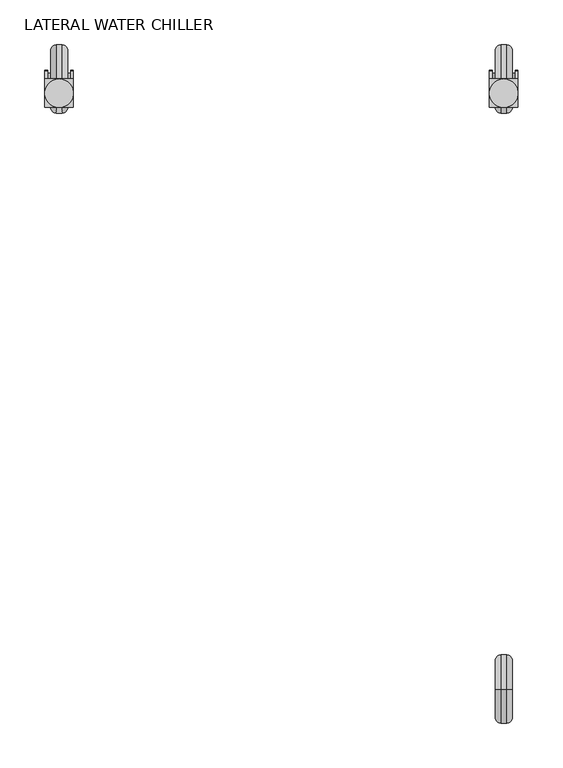
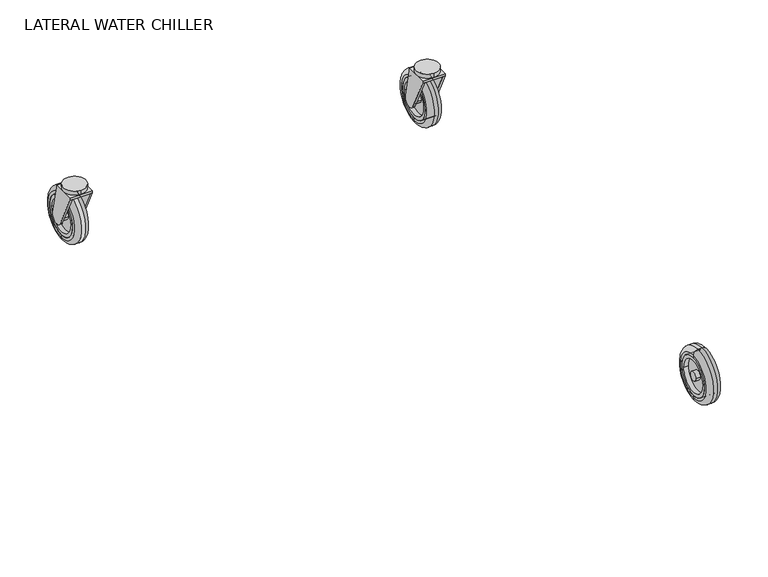
"""IFC4 building model written with IfcOpenShell, lengths in millimetres: proxy geometry, LATERAL WATER CHILLER."""

from ifc_helpers import new_model, si_unit, point, frame, frame_2d, origin, place, context, project, spatial, polyline, circle_curve, ellipse_curve, trimmed, segment, composite_curve, outline, extrude, source, transform, mapped, element, save
from ifc_brep_helpers import plane_surface, cylinder_surface, revolved_surface, advanced_brep


def lateral_water_chiller_cca9492a(model_context):
    return source(origin(), model_context, "Body", "SolidModel", [
        advanced_brep(
        [(238.125, 355.3978147, 6.35), (238.125, 355.3978147, 69.85), (244.475, 355.3978147, 76.2), (244.475, 355.3978147, 0.0), (238.125, 355.3978147, 10.16), (238.125, 355.3978147, 66.04), (257.175, 355.3978147, 10.16), (257.175, 355.3978147, 66.04), (257.175, 355.3978147, 6.35), (257.175, 355.3978147, 69.85), (250.825, 355.3978147, 0.0), (250.825, 355.3978147, 76.2)],
        [
            (0, 1, circle_curve(frame((238.125, 355.3978147, 38.1), z_axis=(1.0, 0.0, 0.0), x_axis=(0.0, 0.0, 1.0)), 31.75)),
            (1, 2, circle_curve(frame((244.475, 355.3978147, 69.85), z_axis=(0.0, 1.0, 0.0), x_axis=(1.0, 0.0, 0.0)), 6.35)),
            (2, 3, circle_curve(frame((244.475, 355.3978147, 38.1), z_axis=(-1.0, 0.0, 0.0), x_axis=(0.0, 0.0, 1.0)), 38.1)),
            (3, 0, circle_curve(frame((244.475, 355.3978147, 6.35), z_axis=(0.0, 1.0, 0.0), x_axis=(1.0, 0.0, 0.0)), 6.35)),
            (1, 0, circle_curve(frame((238.125, 355.3978147, 38.1), z_axis=(1.0, 0.0, 0.0), x_axis=(0.0, 0.0, 1.0)), 31.75)),
            (3, 2, circle_curve(frame((244.475, 355.3978147, 38.1), z_axis=(-1.0, 0.0, 0.0), x_axis=(0.0, 0.0, 1.0)), 38.1)),
            (4, 5, circle_curve(frame((238.125, 355.3978147, 38.1), z_axis=(1.0, 0.0, 0.0), x_axis=(0.0, 0.0, 1.0)), 27.94)),
            (5, 1),
            (0, 4),
            (5, 4, circle_curve(frame((238.125, 355.3978147, 38.1), z_axis=(1.0, 0.0, 0.0), x_axis=(0.0, 0.0, 1.0)), 27.94)),
            (6, 7, circle_curve(frame((257.175, 355.3978147, 38.1), z_axis=(1.0, 0.0, 0.0), x_axis=(0.0, 0.0, 1.0)), 27.94)),
            (7, 5),
            (4, 6),
            (7, 6, circle_curve(frame((257.175, 355.3978147, 38.1), z_axis=(1.0, 0.0, 0.0), x_axis=(0.0, 0.0, 1.0)), 27.94)),
            (8, 9, circle_curve(frame((257.175, 355.3978147, 38.1), z_axis=(1.0, 0.0, 0.0), x_axis=(0.0, 0.0, 1.0)), 31.75)),
            (9, 7),
            (6, 8),
            (9, 8, circle_curve(frame((257.175, 355.3978147, 38.1), z_axis=(1.0, 0.0, 0.0), x_axis=(0.0, 0.0, 1.0)), 31.75)),
            (10, 11, circle_curve(frame((250.825, 355.3978147, 38.1), z_axis=(1.0, 0.0, 0.0), x_axis=(0.0, 0.0, 1.0)), 38.1)),
            (11, 9, circle_curve(frame((250.825, 355.3978147, 69.85), z_axis=(0.0, 1.0, 0.0), x_axis=(1.0, 0.0, 0.0)), 6.35)),
            (8, 10, circle_curve(frame((250.825, 355.3978147, 6.35), z_axis=(0.0, 1.0, 0.0), x_axis=(1.0, 0.0, 0.0)), 6.35)),
            (11, 10, circle_curve(frame((250.825, 355.3978147, 38.1), z_axis=(1.0, 0.0, 0.0), x_axis=(0.0, 0.0, 1.0)), 38.1)),
            (2, 11),
            (10, 3),
        ],
        [
            revolved_surface(trimmed(ellipse_curve(frame((244.475, 355.3978147, 69.85), z_axis=(0.0, -1.0, 0.0), x_axis=(1.0, 0.0, 0.0)), 6.35, 6.35), [point((244.475, 355.3978147, 76.2))], [point((238.125, 355.3978147, 69.85))], True, "CARTESIAN"), (225.425, 355.3978147, 38.1), (-1.0, 0.0, 0.0)),
            plane_surface(frame((238.125, 355.3978147, 38.1), z_axis=(-1.0, 0.0, 0.0), x_axis=(0.0, 0.0, 1.0))),
            revolved_surface(polyline([(238.125, 355.3978147, 66.04), (257.175, 355.3978147, 66.04)]), (225.425, 355.3978147, 38.1), (-1.0, 0.0, 0.0)),
            plane_surface(frame((257.175, 355.3978147, 38.1), z_axis=(1.0, 0.0, 0.0), x_axis=(0.0, 0.0, 1.0))),
            revolved_surface(trimmed(ellipse_curve(frame((250.825, 355.3978147, 69.85), z_axis=(0.0, -1.0, 0.0), x_axis=(1.0, 0.0, 0.0)), 6.35, 6.35), [point((257.175, 355.3978147, 69.85))], [point((250.825, 355.3978147, 76.2))], True, "CARTESIAN"), (225.425, 355.3978147, 38.1), (-1.0, 0.0, 0.0)),
            cylinder_surface(frame((225.425, 355.3978147, 38.1), z_axis=(-1.0, 0.0, 0.0), x_axis=(0.0, 0.0, 1.0)), 38.1),
        ],
        [
            (0, [[1, 2, 3, 4]]),
            (0, [[5, -4, 6, -2]]),
            (1, [[7, 8, -1, 9]]),
            (1, [[10, -9, -5, -8]]),
            (2, [[11, 12, -7, 13]]),
            (2, [[14, -13, -10, -12]]),
            (3, [[15, 16, -11, 17]]),
            (3, [[18, -17, -14, -16]]),
            (4, [[19, 20, -15, 21]]),
            (4, [[22, -21, -18, -20]]),
            (5, [[-3, 23, -19, 24]]),
            (5, [[-6, -24, -22, -23]]),
        ],
    ),
        advanced_brep(
        [(238.125, 383.3378147, 38.1), (238.125, 327.4578147, 38.1), (238.125, 378.2578147, 38.1), (238.125, 332.5378147, 38.1), (238.125, 361.7478147, 38.1), (238.125, 349.0478147, 38.1), (244.475, 383.3378147, 38.1), (244.475, 327.4578147, 38.1), (244.475, 361.7478147, 38.1), (244.475, 349.0478147, 38.1), (244.475, 378.2578147, 38.1), (244.475, 332.5378147, 38.1), (250.825, 332.5378147, 38.1), (250.825, 378.2578147, 38.1), (250.825, 349.0478147, 38.1), (250.825, 361.7478147, 38.1), (250.825, 383.3378147, 38.1), (250.825, 327.4578147, 38.1), (257.175, 383.3378147, 38.1), (257.175, 327.4578147, 38.1), (257.175, 378.2578147, 38.1), (257.175, 332.5378147, 38.1), (257.175, 361.7478147, 38.1), (257.175, 349.0478147, 38.1)],
        [
            (0, 1, circle_curve(frame((238.125, 355.3978147, 38.1), z_axis=(-1.0, 3.5037528434145307e-12, 0.0), x_axis=(-3.5037528434145307e-12, -1.0, 0.0)), 27.94)),
            (1, 0, circle_curve(frame((238.125, 355.3978147, 38.1), z_axis=(-1.0, 3.5037528434145307e-12, 0.0), x_axis=(-3.5037528434145307e-12, -1.0, 0.0)), 27.94)),
            (2, 3, circle_curve(frame((238.125, 355.3978147, 38.1), z_axis=(1.0, -3.5037528434145307e-12, 0.0), x_axis=(-3.5037528434145307e-12, -1.0, 0.0)), 22.86)),
            (3, 2, circle_curve(frame((238.125, 355.3978147, 38.1), z_axis=(1.0, -3.5037528434145307e-12, 0.0), x_axis=(-3.5037528434145307e-12, -1.0, 0.0)), 22.86)),
            (4, 5, circle_curve(frame((238.125, 355.3978147, 38.1), z_axis=(-1.0, 3.5037528434145307e-12, 0.0), x_axis=(-3.5037528434145307e-12, -1.0, 0.0)), 6.35)),
            (5, 4, circle_curve(frame((238.125, 355.3978147, 38.1), z_axis=(-1.0, 3.5037528434145307e-12, 0.0), x_axis=(-3.5037528434145307e-12, -1.0, 0.0)), 6.35)),
            (0, 6),
            (6, 7, circle_curve(frame((244.475, 355.3978147, 38.1), z_axis=(-1.0, 3.5037528434145307e-12, 0.0), x_axis=(-3.5037528434145307e-12, -1.0, 0.0)), 27.94)),
            (7, 1),
            (7, 6, circle_curve(frame((244.475, 355.3978147, 38.1), z_axis=(-1.0, 3.5037528434145307e-12, 0.0), x_axis=(-3.5037528434145307e-12, -1.0, 0.0)), 27.94)),
            (4, 8),
            (8, 9, circle_curve(frame((244.475, 355.3978147, 38.1), z_axis=(-1.0, 3.5037528434145307e-12, 0.0), x_axis=(-3.5037528434145307e-12, -1.0, 0.0)), 6.35)),
            (9, 5),
            (9, 8, circle_curve(frame((244.475, 355.3978147, 38.1), z_axis=(-1.0, 3.5037528434145307e-12, 0.0), x_axis=(-3.5037528434145307e-12, -1.0, 0.0)), 6.35)),
            (2, 10),
            (10, 11, circle_curve(frame((244.475, 355.3978147, 38.1), z_axis=(1.0, -3.5037528434145307e-12, 0.0), x_axis=(-3.5037528434145307e-12, -1.0, 0.0)), 22.86)),
            (11, 3),
            (11, 10, circle_curve(frame((244.475, 355.3978147, 38.1), z_axis=(1.0, -3.5037528434145307e-12, 0.0), x_axis=(-3.5037528434145307e-12, -1.0, 0.0)), 22.86)),
            (12, 13, circle_curve(frame((250.825, 355.3978147, 38.1), z_axis=(1.0, -3.5037528434145307e-12, 0.0), x_axis=(-3.5037528434145307e-12, -1.0, 0.0)), 22.86)),
            (13, 12, circle_curve(frame((250.825, 355.3978147, 38.1), z_axis=(1.0, -3.5037528434145307e-12, 0.0), x_axis=(-3.5037528434145307e-12, -1.0, 0.0)), 22.86)),
            (14, 15, circle_curve(frame((250.825, 355.3978147, 38.1), z_axis=(-1.0, 3.5037528434145307e-12, 0.0), x_axis=(-3.5037528434145307e-12, -1.0, 0.0)), 6.35)),
            (15, 14, circle_curve(frame((250.825, 355.3978147, 38.1), z_axis=(-1.0, 3.5037528434145307e-12, 0.0), x_axis=(-3.5037528434145307e-12, -1.0, 0.0)), 6.35)),
            (6, 16),
            (16, 17, circle_curve(frame((250.825, 355.3978147, 38.1), z_axis=(-1.0, 3.5037528434145307e-12, 0.0), x_axis=(-3.5037528434145307e-12, -1.0, 0.0)), 27.94)),
            (17, 7),
            (17, 16, circle_curve(frame((250.825, 355.3978147, 38.1), z_axis=(-1.0, 3.5037528434145307e-12, 0.0), x_axis=(-3.5037528434145307e-12, -1.0, 0.0)), 27.94)),
            (18, 19, circle_curve(frame((257.175, 355.3978147, 38.1), z_axis=(1.0, -3.5037528434145307e-12, 0.0), x_axis=(-3.5037528434145307e-12, -1.0, 0.0)), 27.94)),
            (19, 18, circle_curve(frame((257.175, 355.3978147, 38.1), z_axis=(1.0, -3.5037528434145307e-12, 0.0), x_axis=(-3.5037528434145307e-12, -1.0, 0.0)), 27.94)),
            (20, 21, circle_curve(frame((257.175, 355.3978147, 38.1), z_axis=(-1.0, 3.5037528434145307e-12, 0.0), x_axis=(-3.5037528434145307e-12, -1.0, 0.0)), 22.86)),
            (21, 20, circle_curve(frame((257.175, 355.3978147, 38.1), z_axis=(-1.0, 3.5037528434145307e-12, 0.0), x_axis=(-3.5037528434145307e-12, -1.0, 0.0)), 22.86)),
            (22, 23, circle_curve(frame((257.175, 355.3978147, 38.1), z_axis=(1.0, -3.5037528434145307e-12, 0.0), x_axis=(-3.5037528434145307e-12, -1.0, 0.0)), 6.35)),
            (23, 22, circle_curve(frame((257.175, 355.3978147, 38.1), z_axis=(1.0, -3.5037528434145307e-12, 0.0), x_axis=(-3.5037528434145307e-12, -1.0, 0.0)), 6.35)),
            (18, 16),
            (17, 19),
            (22, 15),
            (14, 23),
            (20, 13),
            (12, 21),
        ],
        [
            plane_surface(frame((238.125, 327.4578147, 38.1), z_axis=(-1.0, 3.5037528434145307e-12, 0.0), x_axis=(0.0, 0.0, 1.0))),
            cylinder_surface(frame((244.475, 355.3978147, 38.1), z_axis=(-1.0, 3.5037528434145307e-12, 0.0), x_axis=(-3.5037528434145307e-12, -1.0, 0.0)), 27.94),
            cylinder_surface(frame((247.65, 355.3978147, 38.1), z_axis=(-1.0, 3.5037528434145307e-12, 0.0), x_axis=(-3.5037528434145307e-12, -1.0, 0.0)), 6.35),
            revolved_surface(polyline([(244.475, 332.53781470001115, 38.1), (238.12499999983982, 332.5378147000334, 38.1)]), (247.65, 355.3978147, 38.1), (1.0, -3.5037528434145307e-12, 0.0)),
            plane_surface(frame((244.475, 327.4578147, 38.1), z_axis=(-1.0, 3.5037528434145307e-12, 0.0), x_axis=(0.0, 0.0, 1.0))),
            plane_surface(frame((250.825, 327.4578147, 38.1), z_axis=(1.0, -3.5037528434145307e-12, 0.0), x_axis=(0.0, 0.0, -1.0))),
            cylinder_surface(frame((250.825, 355.3978147, 38.1), z_axis=(-1.0, 3.5037528434145307e-12, 0.0), x_axis=(-3.5037528434145307e-12, -1.0, 0.0)), 27.94),
            plane_surface(frame((257.175, 327.4578147, 38.1), z_axis=(1.0, -3.5037528434145307e-12, 0.0), x_axis=(0.0, 0.0, -1.0))),
            cylinder_surface(frame((250.825, 355.3978147, 38.1), z_axis=(1.0, -3.5037528434145307e-12, 0.0), x_axis=(-3.5037528434145307e-12, -1.0, 0.0)), 27.94),
            cylinder_surface(frame((247.65, 355.3978147, 38.1), z_axis=(1.0, -3.5037528434145307e-12, 0.0), x_axis=(-3.5037528434145307e-12, -1.0, 0.0)), 6.35),
            revolved_surface(polyline([(250.8249999998398, 332.53781469998887, 38.1), (257.175, 332.53781469996665, 38.1)]), (247.65, 355.3978147, 38.1), (-1.0, 3.5037528434145307e-12, 0.0)),
        ],
        [
            (0, [[1, 2], [3, 4]]),
            (0, [[5, 6]]),
            (1, [[-1, 7, 8, 9]]),
            (1, [[-2, -9, 10, -7]]),
            (2, [[-5, 11, 12, 13]]),
            (2, [[-6, -13, 14, -11]]),
            (3, [[-3, 15, 16, 17]]),
            (3, [[-4, -17, 18, -15]]),
            (4, [[-16, -18], [-12, -14]]),
            (5, [[19, 20], [21, 22]]),
            (6, [[23, 24, 25, -8]]),
            (6, [[-23, -10, -25, 26]]),
            (7, [[27, 28], [29, 30]]),
            (7, [[31, 32]]),
            (8, [[-27, 33, -26, 34]]),
            (8, [[-28, -34, -24, -33]]),
            (9, [[-31, 35, -21, 36]]),
            (9, [[-32, -36, -22, -35]]),
            (10, [[-29, 37, -19, 38]]),
            (10, [[-30, -38, -20, -37]]),
        ],
    ),
        advanced_brep(
        [(263.525, 364.7015587, 40.1410714), (263.525, 355.3978147, 82.55), (263.525, 355.3978147, 85.725), (263.525, 323.6478147, 85.725), (263.525, 323.6478147, 82.55), (263.525, 346.8003746, 34.0000428), (260.35, 364.7015587, 40.1410714), (260.35, 346.8003746, 34.0000428), (260.35, 323.6478147, 82.55), (260.35, 355.3978147, 82.55), (260.35, 349.0478147, 38.1), (260.35, 361.7478147, 38.1), (234.95, 361.7478147, 38.1), (234.95, 349.0478147, 38.1), (231.775, 364.7015587, 40.1410714), (231.775, 346.8003746, 34.0000428), (231.775, 323.6478147, 82.55), (231.775, 323.6478147, 85.725), (231.775, 355.3978147, 85.725), (231.775, 355.3978147, 82.55), (234.95, 364.7015587, 40.1410714), (234.95, 355.3978147, 82.55), (234.95, 323.6478147, 82.55), (234.95, 346.8003746, 34.0000428)],
        [
            (0, 1),
            (1, 2),
            (2, 3),
            (3, 4),
            (4, 5),
            (5, 0, circle_curve(frame((263.525, 355.3978147, 38.1), z_axis=(1.0, -3.5037528434145307e-12, 0.0), x_axis=(-3.5037528434145307e-12, -1.0, 0.0)), 9.525)),
            (6, 7, circle_curve(frame((260.35, 355.3978147, 38.1), z_axis=(-1.0, 3.5037528434145307e-12, 0.0), x_axis=(-3.5037528434145307e-12, -1.0, 0.0)), 9.525)),
            (7, 8),
            (8, 9),
            (9, 6),
            (10, 11, circle_curve(frame((260.35, 355.3978147, 38.1), z_axis=(1.0, -3.5037528434145307e-12, 0.0), x_axis=(-3.5037528434145307e-12, -1.0, 0.0)), 6.35)),
            (11, 10, circle_curve(frame((260.35, 355.3978147, 38.1), z_axis=(1.0, -3.5037528434145307e-12, 0.0), x_axis=(-3.5037528434145307e-12, -1.0, 0.0)), 6.35)),
            (0, 6),
            (9, 1),
            (4, 8),
            (7, 5),
            (12, 11),
            (10, 13),
            (13, 12, circle_curve(frame((234.95, 355.3978147, 38.1), z_axis=(1.0, -3.5037528434145307e-12, 0.0), x_axis=(-3.5037528434145307e-12, -1.0, 0.0)), 6.35)),
            (12, 13, circle_curve(frame((234.95, 355.3978147, 38.1), z_axis=(1.0, -3.5037528434145307e-12, 0.0), x_axis=(-3.5037528434145307e-12, -1.0, 0.0)), 6.35)),
            (14, 15, circle_curve(frame((231.775, 355.3978147, 38.1), z_axis=(-1.0, 3.5037528434145307e-12, 0.0), x_axis=(-3.5037528434145307e-12, -1.0, 0.0)), 9.525)),
            (15, 16),
            (16, 17),
            (17, 18),
            (18, 19),
            (19, 14),
            (20, 21),
            (21, 22),
            (22, 23),
            (23, 20, circle_curve(frame((234.95, 355.3978147, 38.1), z_axis=(1.0, -3.5037528434145307e-12, 0.0), x_axis=(-3.5037528434145307e-12, -1.0, 0.0)), 9.525)),
            (14, 20),
            (23, 15),
            (22, 16),
            (19, 21),
            (2, 18),
            (17, 3),
            (21, 9),
            (8, 22),
        ],
        [
            plane_surface(frame((263.525, 355.3978147, 82.55), z_axis=(1.0, -3.5037528434145307e-12, 0.0), x_axis=(0.0, -0.21428571428571286, 0.9767710236555248))),
            plane_surface(frame((260.35, 355.3978147, 82.55), z_axis=(-1.0, 3.5037528434145307e-12, 0.0), x_axis=(0.0, 0.21428571428571286, -0.9767710236555248))),
            plane_surface(frame((263.525, 364.7015587, 40.1410714), z_axis=(3.422472694865991e-12, 0.9767710236555248, 0.21428571428571286), x_axis=(-1.0, 3.5038638657169924e-12, 0.0))),
            plane_surface(frame((263.525, 323.6478147, 82.55), z_axis=(-3.1626519305389665e-12, -0.9026183812343395, -0.4304417008816649), x_axis=(-1.0, 3.5038638657169924e-12, 0.0))),
            cylinder_surface(frame((260.35, 355.3978147, 38.1), z_axis=(1.0, -3.5037528434145307e-12, 0.0), x_axis=(-3.5037528434145307e-12, -1.0, 0.0)), 9.525),
            cylinder_surface(frame((260.35, 355.3978147, 38.1), z_axis=(-1.0, 3.5037528434145307e-12, 0.0), x_axis=(-3.5037528434145307e-12, -1.0, 0.0)), 6.35),
            plane_surface(frame((231.775, 345.8728147, 38.1), z_axis=(-1.0, 3.5037528434145307e-12, 0.0), x_axis=(0.0, 0.0, 1.0))),
            plane_surface(frame((234.95, 345.8728147, 38.1), z_axis=(1.0, -3.5037528434145307e-12, 0.0), x_axis=(0.0, 0.0, -1.0))),
            cylinder_surface(frame((234.95, 355.3978147, 38.1), z_axis=(-1.0, 3.5037528434145307e-12, 0.0), x_axis=(-3.5037528434145307e-12, -1.0, 0.0)), 9.525),
            plane_surface(frame((231.775, 346.8003746, 34.0000428), z_axis=(-3.1626519305389665e-12, -0.9026183812343395, -0.4304417008816649), x_axis=(1.0, -3.5038638657169924e-12, 0.0))),
            plane_surface(frame((231.775, 355.3978147, 82.55), z_axis=(3.422472694865991e-12, 0.9767710236555248, 0.21428571428571286), x_axis=(1.0, -3.5038638657169924e-12, 0.0))),
            plane_surface(frame((263.525, 355.3978147, 85.725), z_axis=(0.0, 0.0, 1.0), x_axis=(3.5037306389540393e-12, 1.0, 0.0))),
            plane_surface(frame((263.525, 355.3978147, 82.55), z_axis=(0.0, 0.0, -1.0), x_axis=(-3.5037306389540393e-12, -1.0, 0.0))),
            plane_surface(frame((263.525, 355.3978147, 85.725), z_axis=(3.5037972523354404e-12, 1.0, 0.0), x_axis=(0.0, 0.0, -1.0))),
            plane_surface(frame((231.775, 323.6478147, 85.725), z_axis=(-3.5037306389539626e-12, -1.0, 0.0), x_axis=(0.0, 0.0, -1.0))),
        ],
        [
            (0, [[1, 2, 3, 4, 5, 6]]),
            (1, [[7, 8, 9, 10], [11, 12]]),
            (2, [[-1, 13, -10, 14]]),
            (3, [[-5, 15, -8, 16]]),
            (4, [[-6, -16, -7, -13]]),
            (5, [[17, -11, 18, 19]]),
            (5, [[-17, 20, -18, -12]]),
            (6, [[21, 22, 23, 24, 25, 26]]),
            (7, [[27, 28, 29, 30], [-19, -20]]),
            (8, [[-21, 31, -30, 32]]),
            (9, [[-22, -32, -29, 33]]),
            (10, [[-26, 34, -27, -31]]),
            (11, [[-3, 35, -24, 36]]),
            (12, [[37, -9, 38, -28]]),
            (13, [[-35, -2, -14, -37, -34, -25]]),
            (14, [[-36, -23, -33, -38, -15, -4]]),
        ],
    ),
        extrude(outline(composite_curve([segment(trimmed(circle_curve(frame_2d((247.65, 339.5228147)), 15.875), [point((247.65, 355.3978147))], [point((247.65, 323.6478147))], False, "CARTESIAN"), True, "CONTINUOUS"), segment(trimmed(circle_curve(frame_2d((247.65, 339.5228147)), 15.875), [point((247.65, 323.6478147))], [point((247.65, 355.3978147))], False, "CARTESIAN"), True, "CONTINUOUS")], self_intersect=False)), frame((0.0, 0.0, 85.725), z_axis=(0.0, 0.0, 1.0), x_axis=(1.0, 0.0, 0.0)), (0.0, 0.0, 1.0), 6.35),
        advanced_brep(
        [(-238.125, 355.3978147, 6.35), (-244.475, 355.3978147, 0.0), (-244.475, 355.3978147, 76.2), (-238.125, 355.3978147, 69.85), (-238.125, 355.3978147, 10.16), (-238.125, 355.3978147, 66.04), (-257.175, 355.3978147, 10.16), (-257.175, 355.3978147, 66.04), (-257.175, 355.3978147, 6.35), (-257.175, 355.3978147, 69.85), (-250.825, 355.3978147, 0.0), (-250.825, 355.3978147, 76.2)],
        [
            (0, 1, circle_curve(frame((-244.475, 355.3978147, 6.35), z_axis=(0.0, 1.0, 0.0), x_axis=(-1.0, 0.0, 0.0)), 6.35)),
            (1, 2, circle_curve(frame((-244.475, 355.3978147, 38.1), z_axis=(1.0, 0.0, 0.0), x_axis=(0.0, 0.0, 1.0)), 38.1)),
            (2, 3, circle_curve(frame((-244.475, 355.3978147, 69.85), z_axis=(0.0, 1.0, 0.0), x_axis=(-1.0, 0.0, 0.0)), 6.35)),
            (3, 0, circle_curve(frame((-238.125, 355.3978147, 38.1), z_axis=(-1.0, 0.0, 0.0), x_axis=(0.0, 0.0, 1.0)), 31.75)),
            (2, 1, circle_curve(frame((-244.475, 355.3978147, 38.1), z_axis=(1.0, 0.0, 0.0), x_axis=(0.0, 0.0, 1.0)), 38.1)),
            (0, 3, circle_curve(frame((-238.125, 355.3978147, 38.1), z_axis=(-1.0, 0.0, 0.0), x_axis=(0.0, 0.0, 1.0)), 31.75)),
            (4, 0),
            (3, 5),
            (5, 4, circle_curve(frame((-238.125, 355.3978147, 38.1), z_axis=(-1.0, 0.0, 0.0), x_axis=(0.0, 0.0, 1.0)), 27.94)),
            (4, 5, circle_curve(frame((-238.125, 355.3978147, 38.1), z_axis=(-1.0, 0.0, 0.0), x_axis=(0.0, 0.0, 1.0)), 27.94)),
            (6, 4),
            (5, 7),
            (7, 6, circle_curve(frame((-257.175, 355.3978147, 38.1), z_axis=(-1.0, 0.0, 0.0), x_axis=(0.0, 0.0, 1.0)), 27.94)),
            (6, 7, circle_curve(frame((-257.175, 355.3978147, 38.1), z_axis=(-1.0, 0.0, 0.0), x_axis=(0.0, 0.0, 1.0)), 27.94)),
            (8, 6),
            (7, 9),
            (9, 8, circle_curve(frame((-257.175, 355.3978147, 38.1), z_axis=(-1.0, 0.0, 0.0), x_axis=(0.0, 0.0, 1.0)), 31.75)),
            (8, 9, circle_curve(frame((-257.175, 355.3978147, 38.1), z_axis=(-1.0, 0.0, 0.0), x_axis=(0.0, 0.0, 1.0)), 31.75)),
            (10, 8, circle_curve(frame((-250.825, 355.3978147, 6.35), z_axis=(0.0, 1.0, 0.0), x_axis=(-1.0, 0.0, 0.0)), 6.35)),
            (9, 11, circle_curve(frame((-250.825, 355.3978147, 69.85), z_axis=(0.0, 1.0, 0.0), x_axis=(-1.0, 0.0, 0.0)), 6.35)),
            (11, 10, circle_curve(frame((-250.825, 355.3978147, 38.1), z_axis=(-1.0, 0.0, 0.0), x_axis=(0.0, 0.0, 1.0)), 38.1)),
            (10, 11, circle_curve(frame((-250.825, 355.3978147, 38.1), z_axis=(-1.0, 0.0, 0.0), x_axis=(0.0, 0.0, 1.0)), 38.1)),
            (1, 10),
            (11, 2),
        ],
        [
            revolved_surface(trimmed(ellipse_curve(frame((-244.475, 355.3978147, 69.85), z_axis=(0.0, 1.0, 0.0), x_axis=(-1.0, 0.0, 0.0)), 6.35, 6.35), [point((-244.475, 355.3978147, 76.2))], [point((-238.125, 355.3978147, 69.85))], True, "CARTESIAN"), (-225.425, 355.3978147, 38.1), (1.0, 0.0, 0.0)),
            plane_surface(frame((-238.125, 355.3978147, 38.1), z_axis=(1.0, 0.0, 0.0), x_axis=(0.0, 0.0, 1.0))),
            revolved_surface(polyline([(-238.125, 355.3978147, 66.04), (-257.175, 355.3978147, 66.04)]), (-225.425, 355.3978147, 38.1), (1.0, 0.0, 0.0)),
            plane_surface(frame((-257.175, 355.3978147, 38.1), z_axis=(-1.0, 0.0, 0.0), x_axis=(0.0, 0.0, 1.0))),
            revolved_surface(trimmed(ellipse_curve(frame((-250.825, 355.3978147, 69.85), z_axis=(0.0, 1.0, 0.0), x_axis=(-1.0, 0.0, 0.0)), 6.35, 6.35), [point((-257.175, 355.3978147, 69.85))], [point((-250.825, 355.3978147, 76.2))], True, "CARTESIAN"), (-225.425, 355.3978147, 38.1), (1.0, 0.0, 0.0)),
            cylinder_surface(frame((-225.425, 355.3978147, 38.1), z_axis=(1.0, 0.0, 0.0), x_axis=(0.0, 0.0, 1.0)), 38.1),
        ],
        [
            (0, [[1, 2, 3, 4]]),
            (0, [[-3, 5, -1, 6]]),
            (1, [[7, -4, 8, 9]]),
            (1, [[-8, -6, -7, 10]]),
            (2, [[11, -9, 12, 13]]),
            (2, [[-12, -10, -11, 14]]),
            (3, [[15, -13, 16, 17]]),
            (3, [[-16, -14, -15, 18]]),
            (4, [[19, -17, 20, 21]]),
            (4, [[-20, -18, -19, 22]]),
            (5, [[23, -21, 24, -2]]),
            (5, [[-24, -22, -23, -5]]),
        ],
    ),
        advanced_brep(
        [(-238.125, 383.3378147, 38.1), (-238.125, 327.4578147, 38.1), (-238.125, 378.2578147, 38.1), (-238.125, 332.5378147, 38.1), (-238.125, 361.7478147, 38.1), (-238.125, 349.0478147, 38.1), (-244.475, 327.4578147, 38.1), (-244.475, 383.3378147, 38.1), (-244.475, 349.0478147, 38.1), (-244.475, 361.7478147, 38.1), (-244.475, 332.5378147, 38.1), (-244.475, 378.2578147, 38.1), (-250.825, 332.5378147, 38.1), (-250.825, 378.2578147, 38.1), (-250.825, 349.0478147, 38.1), (-250.825, 361.7478147, 38.1), (-250.825, 327.4578147, 38.1), (-250.825, 383.3378147, 38.1), (-257.175, 383.3378147, 38.1), (-257.175, 327.4578147, 38.1), (-257.175, 378.2578147, 38.1), (-257.175, 332.5378147, 38.1), (-257.175, 361.7478147, 38.1), (-257.175, 349.0478147, 38.1)],
        [
            (0, 1, circle_curve(frame((-238.125, 355.3978147, 38.1), z_axis=(1.0, 3.5037528434145307e-12, 0.0), x_axis=(3.5037528434145307e-12, -1.0, 0.0)), 27.94)),
            (1, 0, circle_curve(frame((-238.125, 355.3978147, 38.1), z_axis=(1.0, 3.5037528434145307e-12, 0.0), x_axis=(3.5037528434145307e-12, -1.0, 0.0)), 27.94)),
            (2, 3, circle_curve(frame((-238.125, 355.3978147, 38.1), z_axis=(-1.0, -3.5037528434145307e-12, 0.0), x_axis=(3.5037528434145307e-12, -1.0, 0.0)), 22.86)),
            (3, 2, circle_curve(frame((-238.125, 355.3978147, 38.1), z_axis=(-1.0, -3.5037528434145307e-12, 0.0), x_axis=(3.5037528434145307e-12, -1.0, 0.0)), 22.86)),
            (4, 5, circle_curve(frame((-238.125, 355.3978147, 38.1), z_axis=(1.0, 3.5037528434145307e-12, 0.0), x_axis=(3.5037528434145307e-12, -1.0, 0.0)), 6.35)),
            (5, 4, circle_curve(frame((-238.125, 355.3978147, 38.1), z_axis=(1.0, 3.5037528434145307e-12, 0.0), x_axis=(3.5037528434145307e-12, -1.0, 0.0)), 6.35)),
            (1, 6),
            (6, 7, circle_curve(frame((-244.475, 355.3978147, 38.1), z_axis=(1.0, 3.5037528434145307e-12, 0.0), x_axis=(3.5037528434145307e-12, -1.0, 0.0)), 27.94)),
            (7, 0),
            (7, 6, circle_curve(frame((-244.475, 355.3978147, 38.1), z_axis=(1.0, 3.5037528434145307e-12, 0.0), x_axis=(3.5037528434145307e-12, -1.0, 0.0)), 27.94)),
            (5, 8),
            (8, 9, circle_curve(frame((-244.475, 355.3978147, 38.1), z_axis=(1.0, 3.5037528434145307e-12, 0.0), x_axis=(3.5037528434145307e-12, -1.0, 0.0)), 6.35)),
            (9, 4),
            (9, 8, circle_curve(frame((-244.475, 355.3978147, 38.1), z_axis=(1.0, 3.5037528434145307e-12, 0.0), x_axis=(3.5037528434145307e-12, -1.0, 0.0)), 6.35)),
            (3, 10),
            (10, 11, circle_curve(frame((-244.475, 355.3978147, 38.1), z_axis=(-1.0, -3.5037528434145307e-12, 0.0), x_axis=(3.5037528434145307e-12, -1.0, 0.0)), 22.86)),
            (11, 2),
            (11, 10, circle_curve(frame((-244.475, 355.3978147, 38.1), z_axis=(-1.0, -3.5037528434145307e-12, 0.0), x_axis=(3.5037528434145307e-12, -1.0, 0.0)), 22.86)),
            (12, 13, circle_curve(frame((-250.825, 355.3978147, 38.1), z_axis=(-1.0, -3.5037528434145307e-12, 0.0), x_axis=(3.5037528434145307e-12, -1.0, 0.0)), 22.86)),
            (13, 12, circle_curve(frame((-250.825, 355.3978147, 38.1), z_axis=(-1.0, -3.5037528434145307e-12, 0.0), x_axis=(3.5037528434145307e-12, -1.0, 0.0)), 22.86)),
            (14, 15, circle_curve(frame((-250.825, 355.3978147, 38.1), z_axis=(1.0, 3.5037528434145307e-12, 0.0), x_axis=(3.5037528434145307e-12, -1.0, 0.0)), 6.35)),
            (15, 14, circle_curve(frame((-250.825, 355.3978147, 38.1), z_axis=(1.0, 3.5037528434145307e-12, 0.0), x_axis=(3.5037528434145307e-12, -1.0, 0.0)), 6.35)),
            (6, 16),
            (16, 17, circle_curve(frame((-250.825, 355.3978147, 38.1), z_axis=(1.0, 3.5037528434145307e-12, 0.0), x_axis=(3.5037528434145307e-12, -1.0, 0.0)), 27.94)),
            (17, 7),
            (17, 16, circle_curve(frame((-250.825, 355.3978147, 38.1), z_axis=(1.0, 3.5037528434145307e-12, 0.0), x_axis=(3.5037528434145307e-12, -1.0, 0.0)), 27.94)),
            (18, 19, circle_curve(frame((-257.175, 355.3978147, 38.1), z_axis=(-1.0, -3.5037528434145307e-12, 0.0), x_axis=(3.5037528434145307e-12, -1.0, 0.0)), 27.94)),
            (19, 18, circle_curve(frame((-257.175, 355.3978147, 38.1), z_axis=(-1.0, -3.5037528434145307e-12, 0.0), x_axis=(3.5037528434145307e-12, -1.0, 0.0)), 27.94)),
            (20, 21, circle_curve(frame((-257.175, 355.3978147, 38.1), z_axis=(1.0, 3.5037528434145307e-12, 0.0), x_axis=(3.5037528434145307e-12, -1.0, 0.0)), 22.86)),
            (21, 20, circle_curve(frame((-257.175, 355.3978147, 38.1), z_axis=(1.0, 3.5037528434145307e-12, 0.0), x_axis=(3.5037528434145307e-12, -1.0, 0.0)), 22.86)),
            (22, 23, circle_curve(frame((-257.175, 355.3978147, 38.1), z_axis=(-1.0, -3.5037528434145307e-12, 0.0), x_axis=(3.5037528434145307e-12, -1.0, 0.0)), 6.35)),
            (23, 22, circle_curve(frame((-257.175, 355.3978147, 38.1), z_axis=(-1.0, -3.5037528434145307e-12, 0.0), x_axis=(3.5037528434145307e-12, -1.0, 0.0)), 6.35)),
            (19, 16),
            (17, 18),
            (23, 14),
            (15, 22),
            (21, 12),
            (13, 20),
        ],
        [
            plane_surface(frame((-238.125, 327.4578147, 38.1), z_axis=(1.0, 3.5037528434145307e-12, 0.0), x_axis=(0.0, 0.0, 1.0))),
            cylinder_surface(frame((-244.475, 355.3978147, 38.1), z_axis=(1.0, 3.5037528434145307e-12, 0.0), x_axis=(3.5037528434145307e-12, -1.0, 0.0)), 27.94),
            cylinder_surface(frame((-247.65, 355.3978147, 38.1), z_axis=(1.0, 3.5037528434145307e-12, 0.0), x_axis=(3.5037528434145307e-12, -1.0, 0.0)), 6.35),
            revolved_surface(polyline([(-244.475, 332.53781470001115, 38.1), (-238.12499999983982, 332.5378147000334, 38.1)]), (-247.65, 355.3978147, 38.1), (-1.0, -3.5037528434145307e-12, 0.0)),
            plane_surface(frame((-244.475, 327.4578147, 38.1), z_axis=(1.0, 3.5037528434145307e-12, 0.0), x_axis=(0.0, 0.0, 1.0))),
            plane_surface(frame((-250.825, 327.4578147, 38.1), z_axis=(-1.0, -3.5037528434145307e-12, 0.0), x_axis=(0.0, 0.0, -1.0))),
            cylinder_surface(frame((-250.825, 355.3978147, 38.1), z_axis=(1.0, 3.5037528434145307e-12, 0.0), x_axis=(3.5037528434145307e-12, -1.0, 0.0)), 27.94),
            plane_surface(frame((-257.175, 327.4578147, 38.1), z_axis=(-1.0, -3.5037528434145307e-12, 0.0), x_axis=(0.0, 0.0, -1.0))),
            cylinder_surface(frame((-250.825, 355.3978147, 38.1), z_axis=(-1.0, -3.5037528434145307e-12, 0.0), x_axis=(3.5037528434145307e-12, -1.0, 0.0)), 27.94),
            cylinder_surface(frame((-247.65, 355.3978147, 38.1), z_axis=(-1.0, -3.5037528434145307e-12, 0.0), x_axis=(3.5037528434145307e-12, -1.0, 0.0)), 6.35),
            revolved_surface(polyline([(-250.8249999998398, 332.53781469998887, 38.1), (-257.175, 332.53781469996665, 38.1)]), (-247.65, 355.3978147, 38.1), (1.0, 3.5037528434145307e-12, 0.0)),
        ],
        [
            (0, [[1, 2], [3, 4]]),
            (0, [[5, 6]]),
            (1, [[7, 8, 9, -2]]),
            (1, [[-9, 10, -7, -1]]),
            (2, [[11, 12, 13, -6]]),
            (2, [[-13, 14, -11, -5]]),
            (3, [[15, 16, 17, -4]]),
            (3, [[-17, 18, -15, -3]]),
            (4, [[-18, -16], [-14, -12]]),
            (5, [[19, 20], [21, 22]]),
            (6, [[-8, 23, 24, 25]]),
            (6, [[26, -23, -10, -25]]),
            (7, [[27, 28], [29, 30]]),
            (7, [[31, 32]]),
            (8, [[33, -26, 34, -28]]),
            (8, [[-34, -24, -33, -27]]),
            (9, [[35, -22, 36, -32]]),
            (9, [[-36, -21, -35, -31]]),
            (10, [[37, -20, 38, -30]]),
            (10, [[-38, -19, -37, -29]]),
        ],
    ),
        advanced_brep(
        [(-263.525, 364.7015587, 40.1410714), (-263.525, 346.8003746, 34.0000428), (-263.525, 323.6478147, 82.55), (-263.525, 323.6478147, 85.725), (-263.525, 355.3978147, 85.725), (-263.525, 355.3978147, 82.55), (-260.35, 364.7015587, 40.1410714), (-260.35, 355.3978147, 82.55), (-260.35, 323.6478147, 82.55), (-260.35, 346.8003746, 34.0000428), (-260.35, 349.0478147, 38.1), (-260.35, 361.7478147, 38.1), (-234.95, 361.7478147, 38.1), (-234.95, 349.0478147, 38.1), (-231.775, 364.7015587, 40.1410714), (-231.775, 355.3978147, 82.55), (-231.775, 355.3978147, 85.725), (-231.775, 323.6478147, 85.725), (-231.775, 323.6478147, 82.55), (-231.775, 346.8003746, 34.0000428), (-234.95, 364.7015587, 40.1410714), (-234.95, 346.8003746, 34.0000428), (-234.95, 323.6478147, 82.55), (-234.95, 355.3978147, 82.55)],
        [
            (0, 1, circle_curve(frame((-263.525, 355.3978147, 38.1), z_axis=(-1.0, -3.5037528434145307e-12, 0.0), x_axis=(3.5037528434145307e-12, -1.0, 0.0)), 9.525)),
            (1, 2),
            (2, 3),
            (3, 4),
            (4, 5),
            (5, 0),
            (6, 7),
            (7, 8),
            (8, 9),
            (9, 6, circle_curve(frame((-260.35, 355.3978147, 38.1), z_axis=(1.0, 3.5037528434145307e-12, 0.0), x_axis=(3.5037528434145307e-12, -1.0, 0.0)), 9.525)),
            (10, 11, circle_curve(frame((-260.35, 355.3978147, 38.1), z_axis=(-1.0, -3.5037528434145307e-12, 0.0), x_axis=(3.5037528434145307e-12, -1.0, 0.0)), 6.35)),
            (11, 10, circle_curve(frame((-260.35, 355.3978147, 38.1), z_axis=(-1.0, -3.5037528434145307e-12, 0.0), x_axis=(3.5037528434145307e-12, -1.0, 0.0)), 6.35)),
            (5, 7),
            (6, 0),
            (1, 9),
            (8, 2),
            (12, 13, circle_curve(frame((-234.95, 355.3978147, 38.1), z_axis=(-1.0, -3.5037528434145307e-12, 0.0), x_axis=(3.5037528434145307e-12, -1.0, 0.0)), 6.35)),
            (13, 10),
            (11, 12),
            (13, 12, circle_curve(frame((-234.95, 355.3978147, 38.1), z_axis=(-1.0, -3.5037528434145307e-12, 0.0), x_axis=(3.5037528434145307e-12, -1.0, 0.0)), 6.35)),
            (14, 15),
            (15, 16),
            (16, 17),
            (17, 18),
            (18, 19),
            (19, 14, circle_curve(frame((-231.775, 355.3978147, 38.1), z_axis=(1.0, 3.5037528434145307e-12, 0.0), x_axis=(3.5037528434145307e-12, -1.0, 0.0)), 9.525)),
            (20, 21, circle_curve(frame((-234.95, 355.3978147, 38.1), z_axis=(-1.0, -3.5037528434145307e-12, 0.0), x_axis=(3.5037528434145307e-12, -1.0, 0.0)), 9.525)),
            (21, 22),
            (22, 23),
            (23, 20),
            (19, 21),
            (20, 14),
            (18, 22),
            (23, 15),
            (3, 17),
            (16, 4),
            (22, 8),
            (7, 23),
        ],
        [
            plane_surface(frame((-263.525, 355.3978147, 82.55), z_axis=(-1.0, -3.5037528434145307e-12, 0.0), x_axis=(0.0, -0.21428571428571286, 0.9767710236555248))),
            plane_surface(frame((-260.35, 355.3978147, 82.55), z_axis=(1.0, 3.5037528434145307e-12, 0.0), x_axis=(0.0, 0.21428571428571286, -0.9767710236555248))),
            plane_surface(frame((-263.525, 364.7015587, 40.1410714), z_axis=(-3.422472694865991e-12, 0.9767710236555248, 0.21428571428571286), x_axis=(1.0, 3.5038638657169924e-12, 0.0))),
            plane_surface(frame((-263.525, 323.6478147, 82.55), z_axis=(3.1626519305389665e-12, -0.9026183812343395, -0.4304417008816649), x_axis=(1.0, 3.5038638657169924e-12, 0.0))),
            cylinder_surface(frame((-260.35, 355.3978147, 38.1), z_axis=(-1.0, -3.5037528434145307e-12, 0.0), x_axis=(3.5037528434145307e-12, -1.0, 0.0)), 9.525),
            cylinder_surface(frame((-260.35, 355.3978147, 38.1), z_axis=(1.0, 3.5037528434145307e-12, 0.0), x_axis=(3.5037528434145307e-12, -1.0, 0.0)), 6.35),
            plane_surface(frame((-231.775, 345.8728147, 38.1), z_axis=(1.0, 3.5037528434145307e-12, 0.0), x_axis=(0.0, 0.0, 1.0))),
            plane_surface(frame((-234.95, 345.8728147, 38.1), z_axis=(-1.0, -3.5037528434145307e-12, 0.0), x_axis=(0.0, 0.0, -1.0))),
            cylinder_surface(frame((-234.95, 355.3978147, 38.1), z_axis=(1.0, 3.5037528434145307e-12, 0.0), x_axis=(3.5037528434145307e-12, -1.0, 0.0)), 9.525),
            plane_surface(frame((-231.775, 346.8003746, 34.0000428), z_axis=(3.1626519305389665e-12, -0.9026183812343395, -0.4304417008816649), x_axis=(-1.0, -3.5038638657169924e-12, 0.0))),
            plane_surface(frame((-231.775, 355.3978147, 82.55), z_axis=(-3.422472694865991e-12, 0.9767710236555248, 0.21428571428571286), x_axis=(-1.0, -3.5038638657169924e-12, 0.0))),
            plane_surface(frame((-263.525, 355.3978147, 85.725), z_axis=(0.0, 0.0, 1.0), x_axis=(-3.5037306389540393e-12, 1.0, 0.0))),
            plane_surface(frame((-263.525, 355.3978147, 82.55), z_axis=(0.0, 0.0, -1.0), x_axis=(3.5037306389540393e-12, -1.0, 0.0))),
            plane_surface(frame((-263.525, 355.3978147, 85.725), z_axis=(-3.5037972523354404e-12, 1.0, 0.0), x_axis=(0.0, 0.0, -1.0))),
            plane_surface(frame((-231.775, 323.6478147, 85.725), z_axis=(3.5037306389539626e-12, -1.0, 0.0), x_axis=(0.0, 0.0, -1.0))),
        ],
        [
            (0, [[1, 2, 3, 4, 5, 6]]),
            (1, [[7, 8, 9, 10], [11, 12]]),
            (2, [[13, -7, 14, -6]]),
            (3, [[15, -9, 16, -2]]),
            (4, [[-14, -10, -15, -1]]),
            (5, [[17, 18, -12, 19]]),
            (5, [[-11, -18, 20, -19]]),
            (6, [[21, 22, 23, 24, 25, 26]]),
            (7, [[27, 28, 29, 30], [-20, -17]]),
            (8, [[31, -27, 32, -26]]),
            (9, [[33, -28, -31, -25]]),
            (10, [[-32, -30, 34, -21]]),
            (11, [[35, -23, 36, -4]]),
            (12, [[-29, 37, -8, 38]]),
            (13, [[-22, -34, -38, -13, -5, -36]]),
            (14, [[-3, -16, -37, -33, -24, -35]]),
        ],
    ),
        extrude(outline(composite_curve([segment(trimmed(circle_curve(frame_2d((-247.65, 339.5228147)), 15.875), [point((-247.65, 355.3978147))], [point((-247.65, 323.6478147))], False, "CARTESIAN"), True, "CONTINUOUS"), segment(trimmed(circle_curve(frame_2d((-247.65, 339.5228147)), 15.875), [point((-247.65, 323.6478147))], [point((-247.65, 355.3978147))], False, "CARTESIAN"), True, "CONTINUOUS")], self_intersect=False)), frame((0.0, 0.0, 85.725), z_axis=(0.0, 0.0, 1.0), x_axis=(1.0, 0.0, 0.0)), (0.0, 0.0, 1.0), 6.35),
        advanced_brep(
        [(238.125, -323.6478147, 6.35), (238.125, -323.6478147, 69.85), (244.475, -323.6478147, 76.2), (244.475, -323.6478147, 0.0), (238.125, -323.6478147, 10.16), (238.125, -323.6478147, 66.04), (257.175, -323.6478147, 10.16), (257.175, -323.6478147, 66.04), (257.175, -323.6478147, 6.35), (257.175, -323.6478147, 69.85), (250.825, -323.6478147, 0.0), (250.825, -323.6478147, 76.2)],
        [
            (0, 1, circle_curve(frame((238.125, -323.6478147, 38.1), z_axis=(1.0, 0.0, 0.0), x_axis=(0.0, 0.0, 1.0)), 31.75)),
            (1, 2, circle_curve(frame((244.475, -323.6478147, 69.85), z_axis=(0.0, 1.0, 0.0), x_axis=(1.0, 0.0, 0.0)), 6.35)),
            (2, 3, circle_curve(frame((244.475, -323.6478147, 38.1), z_axis=(-1.0, 0.0, 0.0), x_axis=(0.0, 0.0, 1.0)), 38.1)),
            (3, 0, circle_curve(frame((244.475, -323.6478147, 6.35), z_axis=(0.0, 1.0, 0.0), x_axis=(1.0, 0.0, 0.0)), 6.35)),
            (1, 0, circle_curve(frame((238.125, -323.6478147, 38.1), z_axis=(1.0, 0.0, 0.0), x_axis=(0.0, 0.0, 1.0)), 31.75)),
            (3, 2, circle_curve(frame((244.475, -323.6478147, 38.1), z_axis=(-1.0, 0.0, 0.0), x_axis=(0.0, 0.0, 1.0)), 38.1)),
            (4, 5, circle_curve(frame((238.125, -323.6478147, 38.1), z_axis=(1.0, 0.0, 0.0), x_axis=(0.0, 0.0, 1.0)), 27.94)),
            (5, 1),
            (0, 4),
            (5, 4, circle_curve(frame((238.125, -323.6478147, 38.1), z_axis=(1.0, 0.0, 0.0), x_axis=(0.0, 0.0, 1.0)), 27.94)),
            (6, 7, circle_curve(frame((257.175, -323.6478147, 38.1), z_axis=(1.0, 0.0, 0.0), x_axis=(0.0, 0.0, 1.0)), 27.94)),
            (7, 5),
            (4, 6),
            (7, 6, circle_curve(frame((257.175, -323.6478147, 38.1), z_axis=(1.0, 0.0, 0.0), x_axis=(0.0, 0.0, 1.0)), 27.94)),
            (8, 9, circle_curve(frame((257.175, -323.6478147, 38.1), z_axis=(1.0, 0.0, 0.0), x_axis=(0.0, 0.0, 1.0)), 31.75)),
            (9, 7),
            (6, 8),
            (9, 8, circle_curve(frame((257.175, -323.6478147, 38.1), z_axis=(1.0, 0.0, 0.0), x_axis=(0.0, 0.0, 1.0)), 31.75)),
            (10, 11, circle_curve(frame((250.825, -323.6478147, 38.1), z_axis=(1.0, 0.0, 0.0), x_axis=(0.0, 0.0, 1.0)), 38.1)),
            (11, 9, circle_curve(frame((250.825, -323.6478147, 69.85), z_axis=(0.0, 1.0, 0.0), x_axis=(1.0, 0.0, 0.0)), 6.35)),
            (8, 10, circle_curve(frame((250.825, -323.6478147, 6.35), z_axis=(0.0, 1.0, 0.0), x_axis=(1.0, 0.0, 0.0)), 6.35)),
            (11, 10, circle_curve(frame((250.825, -323.6478147, 38.1), z_axis=(1.0, 0.0, 0.0), x_axis=(0.0, 0.0, 1.0)), 38.1)),
            (2, 11),
            (10, 3),
        ],
        [
            revolved_surface(trimmed(ellipse_curve(frame((244.475, -323.6478147, 69.85), z_axis=(0.0, -1.0, 0.0), x_axis=(1.0, 0.0, 0.0)), 6.35, 6.35), [point((244.475, -323.6478147, 76.2))], [point((238.125, -323.6478147, 69.85))], True, "CARTESIAN"), (225.425, -323.6478147, 38.1), (-1.0, 0.0, 0.0)),
            plane_surface(frame((238.125, -323.6478147, 38.1), z_axis=(-1.0, 0.0, 0.0), x_axis=(0.0, 0.0, 1.0))),
            revolved_surface(polyline([(238.125, -323.6478147, 66.04), (257.175, -323.6478147, 66.04)]), (225.425, -323.6478147, 38.1), (-1.0, 0.0, 0.0)),
            plane_surface(frame((257.175, -323.6478147, 38.1), z_axis=(1.0, 0.0, 0.0), x_axis=(0.0, 0.0, 1.0))),
            revolved_surface(trimmed(ellipse_curve(frame((250.825, -323.6478147, 69.85), z_axis=(0.0, -1.0, 0.0), x_axis=(1.0, 0.0, 0.0)), 6.35, 6.35), [point((257.175, -323.6478147, 69.85))], [point((250.825, -323.6478147, 76.2))], True, "CARTESIAN"), (225.425, -323.6478147, 38.1), (-1.0, 0.0, 0.0)),
            cylinder_surface(frame((225.425, -323.6478147, 38.1), z_axis=(-1.0, 0.0, 0.0), x_axis=(0.0, 0.0, 1.0)), 38.1),
        ],
        [
            (0, [[1, 2, 3, 4]]),
            (0, [[5, -4, 6, -2]]),
            (1, [[7, 8, -1, 9]]),
            (1, [[10, -9, -5, -8]]),
            (2, [[11, 12, -7, 13]]),
            (2, [[14, -13, -10, -12]]),
            (3, [[15, 16, -11, 17]]),
            (3, [[18, -17, -14, -16]]),
            (4, [[19, 20, -15, 21]]),
            (4, [[22, -21, -18, -20]]),
            (5, [[-3, 23, -19, 24]]),
            (5, [[-6, -24, -22, -23]]),
        ],
    ),
        advanced_brep(
        [(238.125, -295.7078147, 38.1), (238.125, -351.5878147, 38.1), (238.125, -300.7878147, 38.1), (238.125, -346.5078147, 38.1), (238.125, -317.2978147, 38.1), (238.125, -329.9978147, 38.1), (244.475, -295.7078147, 38.1), (244.475, -351.5878147, 38.1), (244.475, -317.2978147, 38.1), (244.475, -329.9978147, 38.1), (244.475, -300.7878147, 38.1), (244.475, -346.5078147, 38.1), (250.825, -346.5078147, 38.1), (250.825, -300.7878147, 38.1), (250.825, -329.9978147, 38.1), (250.825, -317.2978147, 38.1), (250.825, -295.7078147, 38.1), (250.825, -351.5878147, 38.1), (257.175, -295.7078147, 38.1), (257.175, -351.5878147, 38.1), (257.175, -300.7878147, 38.1), (257.175, -346.5078147, 38.1), (257.175, -317.2978147, 38.1), (257.175, -329.9978147, 38.1)],
        [
            (0, 1, circle_curve(frame((238.125, -323.6478147, 38.1), z_axis=(-1.0, 3.5037528434145307e-12, 0.0), x_axis=(-3.5037528434145307e-12, -1.0, 0.0)), 27.94)),
            (1, 0, circle_curve(frame((238.125, -323.6478147, 38.1), z_axis=(-1.0, 3.5037528434145307e-12, 0.0), x_axis=(-3.5037528434145307e-12, -1.0, 0.0)), 27.94)),
            (2, 3, circle_curve(frame((238.125, -323.6478147, 38.1), z_axis=(1.0, -3.5037528434145307e-12, 0.0), x_axis=(-3.5037528434145307e-12, -1.0, 0.0)), 22.86)),
            (3, 2, circle_curve(frame((238.125, -323.6478147, 38.1), z_axis=(1.0, -3.5037528434145307e-12, 0.0), x_axis=(-3.5037528434145307e-12, -1.0, 0.0)), 22.86)),
            (4, 5, circle_curve(frame((238.125, -323.6478147, 38.1), z_axis=(-1.0, 3.5037528434145307e-12, 0.0), x_axis=(-3.5037528434145307e-12, -1.0, 0.0)), 6.35)),
            (5, 4, circle_curve(frame((238.125, -323.6478147, 38.1), z_axis=(-1.0, 3.5037528434145307e-12, 0.0), x_axis=(-3.5037528434145307e-12, -1.0, 0.0)), 6.35)),
            (0, 6),
            (6, 7, circle_curve(frame((244.475, -323.6478147, 38.1), z_axis=(-1.0, 3.5037528434145307e-12, 0.0), x_axis=(-3.5037528434145307e-12, -1.0, 0.0)), 27.94)),
            (7, 1),
            (7, 6, circle_curve(frame((244.475, -323.6478147, 38.1), z_axis=(-1.0, 3.5037528434145307e-12, 0.0), x_axis=(-3.5037528434145307e-12, -1.0, 0.0)), 27.94)),
            (4, 8),
            (8, 9, circle_curve(frame((244.475, -323.6478147, 38.1), z_axis=(-1.0, 3.5037528434145307e-12, 0.0), x_axis=(-3.5037528434145307e-12, -1.0, 0.0)), 6.35)),
            (9, 5),
            (9, 8, circle_curve(frame((244.475, -323.6478147, 38.1), z_axis=(-1.0, 3.5037528434145307e-12, 0.0), x_axis=(-3.5037528434145307e-12, -1.0, 0.0)), 6.35)),
            (2, 10),
            (10, 11, circle_curve(frame((244.475, -323.6478147, 38.1), z_axis=(1.0, -3.5037528434145307e-12, 0.0), x_axis=(-3.5037528434145307e-12, -1.0, 0.0)), 22.86)),
            (11, 3),
            (11, 10, circle_curve(frame((244.475, -323.6478147, 38.1), z_axis=(1.0, -3.5037528434145307e-12, 0.0), x_axis=(-3.5037528434145307e-12, -1.0, 0.0)), 22.86)),
            (12, 13, circle_curve(frame((250.825, -323.6478147, 38.1), z_axis=(1.0, -3.5037528434145307e-12, 0.0), x_axis=(-3.5037528434145307e-12, -1.0, 0.0)), 22.86)),
            (13, 12, circle_curve(frame((250.825, -323.6478147, 38.1), z_axis=(1.0, -3.5037528434145307e-12, 0.0), x_axis=(-3.5037528434145307e-12, -1.0, 0.0)), 22.86)),
            (14, 15, circle_curve(frame((250.825, -323.6478147, 38.1), z_axis=(-1.0, 3.5037528434145307e-12, 0.0), x_axis=(-3.5037528434145307e-12, -1.0, 0.0)), 6.35)),
            (15, 14, circle_curve(frame((250.825, -323.6478147, 38.1), z_axis=(-1.0, 3.5037528434145307e-12, 0.0), x_axis=(-3.5037528434145307e-12, -1.0, 0.0)), 6.35)),
            (6, 16),
            (16, 17, circle_curve(frame((250.825, -323.6478147, 38.1), z_axis=(-1.0, 3.5037528434145307e-12, 0.0), x_axis=(-3.5037528434145307e-12, -1.0, 0.0)), 27.94)),
            (17, 7),
            (17, 16, circle_curve(frame((250.825, -323.6478147, 38.1), z_axis=(-1.0, 3.5037528434145307e-12, 0.0), x_axis=(-3.5037528434145307e-12, -1.0, 0.0)), 27.94)),
            (18, 19, circle_curve(frame((257.175, -323.6478147, 38.1), z_axis=(1.0, -3.5037528434145307e-12, 0.0), x_axis=(-3.5037528434145307e-12, -1.0, 0.0)), 27.94)),
            (19, 18, circle_curve(frame((257.175, -323.6478147, 38.1), z_axis=(1.0, -3.5037528434145307e-12, 0.0), x_axis=(-3.5037528434145307e-12, -1.0, 0.0)), 27.94)),
            (20, 21, circle_curve(frame((257.175, -323.6478147, 38.1), z_axis=(-1.0, 3.5037528434145307e-12, 0.0), x_axis=(-3.5037528434145307e-12, -1.0, 0.0)), 22.86)),
            (21, 20, circle_curve(frame((257.175, -323.6478147, 38.1), z_axis=(-1.0, 3.5037528434145307e-12, 0.0), x_axis=(-3.5037528434145307e-12, -1.0, 0.0)), 22.86)),
            (22, 23, circle_curve(frame((257.175, -323.6478147, 38.1), z_axis=(1.0, -3.5037528434145307e-12, 0.0), x_axis=(-3.5037528434145307e-12, -1.0, 0.0)), 6.35)),
            (23, 22, circle_curve(frame((257.175, -323.6478147, 38.1), z_axis=(1.0, -3.5037528434145307e-12, 0.0), x_axis=(-3.5037528434145307e-12, -1.0, 0.0)), 6.35)),
            (18, 16),
            (17, 19),
            (22, 15),
            (14, 23),
            (20, 13),
            (12, 21),
        ],
        [
            plane_surface(frame((238.125, -351.5878147, 38.1), z_axis=(-1.0, 3.5037528434145307e-12, 0.0), x_axis=(0.0, 0.0, 1.0))),
            cylinder_surface(frame((244.475, -323.6478147, 38.1), z_axis=(-1.0, 3.5037528434145307e-12, 0.0), x_axis=(-3.5037528434145307e-12, -1.0, 0.0)), 27.94),
            cylinder_surface(frame((247.65, -323.6478147, 38.1), z_axis=(-1.0, 3.5037528434145307e-12, 0.0), x_axis=(-3.5037528434145307e-12, -1.0, 0.0)), 6.35),
            revolved_surface(polyline([(244.475, -346.5078146999889, 38.1), (238.12499999983982, -346.5078146999667, 38.1)]), (247.65, -323.6478147, 38.1), (1.0, -3.5037528434145307e-12, 0.0)),
            plane_surface(frame((244.475, -351.5878147, 38.1), z_axis=(-1.0, 3.5037528434145307e-12, 0.0), x_axis=(0.0, 0.0, 1.0))),
            plane_surface(frame((250.825, -351.5878147, 38.1), z_axis=(1.0, -3.5037528434145307e-12, 0.0), x_axis=(0.0, 0.0, -1.0))),
            cylinder_surface(frame((250.825, -323.6478147, 38.1), z_axis=(-1.0, 3.5037528434145307e-12, 0.0), x_axis=(-3.5037528434145307e-12, -1.0, 0.0)), 27.94),
            plane_surface(frame((257.175, -351.5878147, 38.1), z_axis=(1.0, -3.5037528434145307e-12, 0.0), x_axis=(0.0, 0.0, -1.0))),
            cylinder_surface(frame((250.825, -323.6478147, 38.1), z_axis=(1.0, -3.5037528434145307e-12, 0.0), x_axis=(-3.5037528434145307e-12, -1.0, 0.0)), 27.94),
            cylinder_surface(frame((247.65, -323.6478147, 38.1), z_axis=(1.0, -3.5037528434145307e-12, 0.0), x_axis=(-3.5037528434145307e-12, -1.0, 0.0)), 6.35),
            revolved_surface(polyline([(250.8249999998398, -346.5078147000112, 38.1), (257.175, -346.5078147000334, 38.1)]), (247.65, -323.6478147, 38.1), (-1.0, 3.5037528434145307e-12, 0.0)),
        ],
        [
            (0, [[1, 2], [3, 4]]),
            (0, [[5, 6]]),
            (1, [[-1, 7, 8, 9]]),
            (1, [[-2, -9, 10, -7]]),
            (2, [[-5, 11, 12, 13]]),
            (2, [[-6, -13, 14, -11]]),
            (3, [[-3, 15, 16, 17]]),
            (3, [[-4, -17, 18, -15]]),
            (4, [[-16, -18], [-12, -14]]),
            (5, [[19, 20], [21, 22]]),
            (6, [[23, 24, 25, -8]]),
            (6, [[-23, -10, -25, 26]]),
            (7, [[27, 28], [29, 30]]),
            (7, [[31, 32]]),
            (8, [[-27, 33, -26, 34]]),
            (8, [[-28, -34, -24, -33]]),
            (9, [[-31, 35, -21, 36]]),
            (9, [[-32, -36, -22, -35]]),
            (10, [[-29, 37, -19, 38]]),
            (10, [[-30, -38, -20, -37]]),
        ],
    ),
    ])


if __name__ == "__main__":
    model = new_model("IFC4")
    model_context = context("Model", 3, world=origin())
    ifc_project = project(units=[si_unit("LENGTHUNIT", "METRE", prefix="MILLI")], contexts=[model_context])
    site = spatial("IfcSite", under=ifc_project)
    building = spatial("IfcBuilding", under=site)
    placement = place(None, origin())
    lateral_water_chiller_shape = lateral_water_chiller_cca9492a(model_context)
    element("IfcBuildingElementProxy", 1, Name="LATERAL WATER CHILLER", ObjectType="LATERAL WATER CHILLER", at=placement, inside=building, context=model_context, shape_type="MappedRepresentation", body=[
        mapped(lateral_water_chiller_shape, transform((0.0, 0.0, 0.0), x_axis=(1.0, 0.0, 0.0), y_axis=(0.0, 1.0, 0.0), z_axis=(0.0, 0.0, 1.0))),
    ])
    save(model, "model.ifc")
